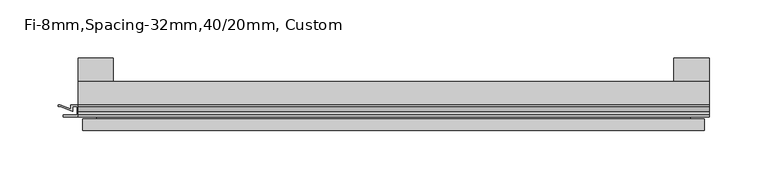
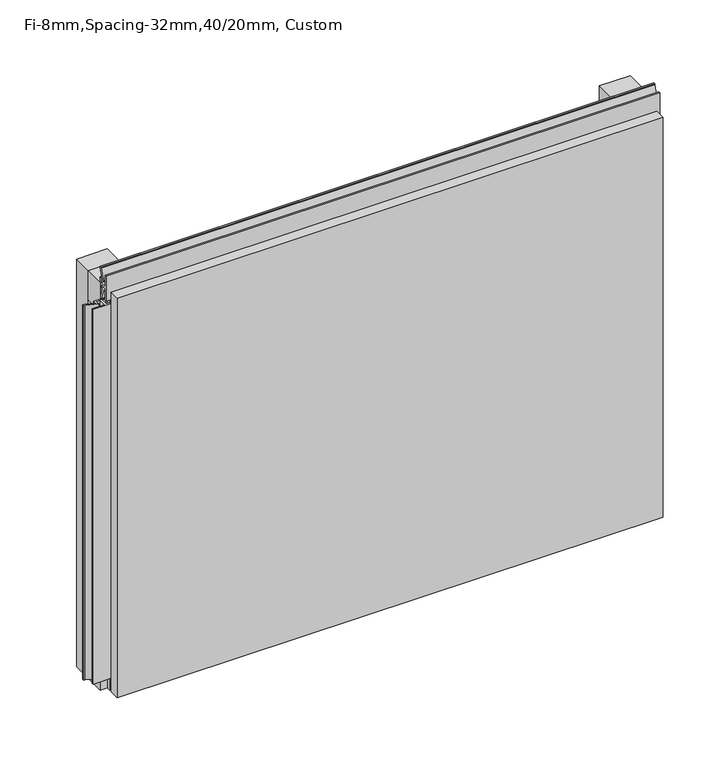
"""IFC4 building model written with IfcOpenShell, lengths in millimetres: plate geometry, Fi-8mm,Spacing-32mm,40/20mm, Custom."""

from ifc_helpers import new_model, si_unit, frame, origin, origin_with_axes, place, context, project, spatial, polyline, outline, extrude, faceted_brep, source, transform, mapped, element, save


def fi_8mm_spacing_32mm_40_20mm_custom_031b71ea(model_context):
    return source(origin(), model_context, "Body", "SolidModel", [
        extrude(outline(polyline([(-270.0, -40.0), (-270.0, -20.0), (270.0, -20.0), (270.0, -40.0), (-270.0, -40.0)])), frame((0.0, 0.0, 390.0), z_axis=(0.0, 0.0, 1.0), x_axis=(1.0, 0.0, 0.0)), (0.0, 0.0, 1.0), 30.0),
        extrude(outline(polyline([(-270.0, -40.0), (-270.0, -20.0), (270.0, -20.0), (270.0, -40.0), (-270.0, -40.0)])), origin_with_axes(), (0.0, 0.0, 1.0), 30.0),
        extrude(outline(polyline([(240.0, 0.0), (270.0, 0.0), (270.0, -20.0), (240.0, -20.0), (240.0, 0.0)])), origin_with_axes(), (0.0, 0.0, 1.0), 420.0),
        extrude(outline(polyline([(-240.0, 0.0), (-240.0, -20.0), (-270.0, -20.0), (-270.0, 0.0), (-240.0, 0.0)])), origin_with_axes(), (0.0, 0.0, 1.0), 420.0),
        extrude(outline(polyline([(263.700916, -40.0), (270.0, -40.0), (270.0, -50.1), (256.5843193, -50.1), (256.5843193, -48.7), (268.5843193, -48.7), (268.5843193, -41.4), (265.100916, -41.4), (265.100916, -45.5140545), (254.4296606, -41.4553267), (247.008452, -41.4553267), (247.008452, -40.0553267), (254.6441401, -40.0553267), (263.700916, -43.5), (263.700916, -40.0)])), frame((0.0, 0.0, 16.9558599), z_axis=(0.0, 0.0, 1.0), x_axis=(1.0, 0.0, 0.0)), (0.0, 0.0, 1.0), 386.0882802),
        extrude(outline(polyline([(-270.899084, -48.7), (-270.899084, -41.4), (-274.899084, -41.4), (-274.899084, -45.5140545), (-285.5703394, -41.4553267), (-286.9558599, -41.4553267), (-286.9558599, -40.0553267), (-285.3558599, -40.0553267), (-276.299084, -43.5), (-276.299084, -40.0), (-263.700916, -40.0), (-263.700916, -43.5), (-254.6441401, -40.0553267), (-253.0441401, -40.0553267), (-253.0441401, -41.4553267), (-254.4296606, -41.4553267), (-265.100916, -45.5140545), (-265.100916, -41.4), (-269.100916, -41.4), (-269.100916, -48.7), (-257.100916, -48.7), (-257.100916, -50.1), (-282.899084, -50.1), (-282.899084, -48.7), (-270.899084, -48.7)])), frame((0.0, 0.0, 16.9558599), z_axis=(0.0, 0.0, 1.0), x_axis=(1.0, 0.0, 0.0)), (0.0, 0.0, 1.0), 386.0882802),
        extrude(outline(polyline([(-48.7, 420.899084), (-41.4, 420.899084), (-41.4, 424.899084), (-45.5140545, 424.899084), (-41.4553267, 435.5703394), (-41.4553267, 436.9558599), (-40.0553267, 436.9558599), (-40.0553267, 435.3558599), (-43.5, 426.299084), (-40.0, 426.299084), (-40.0, 413.700916), (-43.5, 413.700916), (-40.0553267, 404.6441401), (-40.0553267, 403.0441401), (-41.4553267, 403.0441401), (-41.4553267, 404.4296606), (-45.5140545, 415.100916), (-41.4, 415.100916), (-41.4, 419.100916), (-48.7, 419.100916), (-48.7, 407.100916), (-50.1, 407.100916), (-50.1, 432.899084), (-48.7, 432.899084), (-48.7, 420.899084)])), frame((-270.0, 0.0, 0.0), z_axis=(1.0, 0.0, 0.0), x_axis=(0.0, 1.0, 0.0)), (0.0, 0.0, 1.0), 540.0),
        faceted_brep([(266.0, -45.9, 416.0), (-266.0, -45.9, 416.0), (-266.0, -48.7, 416.0), (266.0, -48.7, 416.0), (-266.0, -61.9, 416.0), (266.0, -61.9, 416.0), (266.0, -51.9, 416.0), (-266.0, -51.9, 416.0), (-266.0, -45.9, 4.0), (266.0, -45.9, 4.0), (266.0, -48.7, 4.0), (-266.0, -48.7, 4.0), (266.0, -61.9, 4.0), (-266.0, -61.9, 4.0), (-266.0, -51.9, 4.0), (266.0, -51.9, 4.0), (254.0, -51.9, 404.0), (254.0, -51.9, 16.0), (254.0, -48.7, 16.0), (254.0, -48.7, 404.0), (-254.0, -51.9, 16.0), (-254.0, -48.7, 16.0), (-254.0, -51.9, 404.0), (-254.0, -48.7, 404.0)], [[[0, 1, 2, 3]], [[4, 5, 6, 7]], [[8, 9, 10, 11]], [[12, 13, 14, 15]], [[1, 0, 9, 8]], [[1, 8, 11, 2]], [[13, 4, 7, 14]], [[5, 4, 13, 12]], [[9, 0, 3, 10]], [[5, 12, 15, 6]], [[16, 17, 18, 19]], [[18, 17, 20, 21]], [[21, 20, 22, 23]], [[16, 19, 23, 22]], [[7, 6, 15, 14], [17, 16, 22, 20]], [[3, 2, 11, 10], [19, 18, 21, 23]]]),
    ])


if __name__ == "__main__":
    model = new_model("IFC4")
    model_context = context("Model", 3, world=origin())
    ifc_project = project(units=[si_unit("LENGTHUNIT", "METRE", prefix="MILLI")], contexts=[model_context])
    site = spatial("IfcSite", under=ifc_project)
    building = spatial("IfcBuilding", under=site)
    placement = place(None, origin())
    fi_8mm_spacing_32mm_40_20mm_custom_shape = fi_8mm_spacing_32mm_40_20mm_custom_031b71ea(model_context)
    element("IfcPlate", 1, ObjectType="Fi-8mm,Spacing-32mm,40/20mm, Custom", at=placement, inside=building, context=model_context, shape_type="MappedRepresentation", body=[
        mapped(fi_8mm_spacing_32mm_40_20mm_custom_shape, transform((0.0, 0.0, 0.0), x_axis=(1.0, 0.0, 0.0), y_axis=(0.0, 1.0, 0.0), z_axis=(0.0, 0.0, 1.0))),
    ])
    save(model, "model.ifc")
